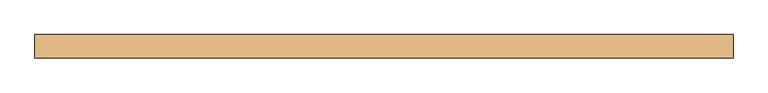
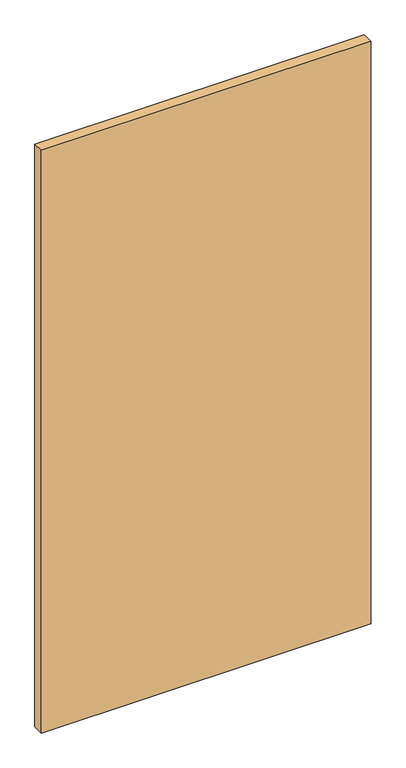
"""IFC4 building model written with IfcOpenShell, lengths in millimetres: door geometry."""

from ifc_helpers import new_model, si_unit, frame, origin, place, context, project, spatial, polyline, outline, extrude, source, transform, mapped, element, save


def door_bbb2b591(model_context):
    return source(origin(), model_context, "Body", "SweptSolid", [
        extrude(outline(polyline([(600.0, -20.0), (-600.0, -20.0), (-600.0, 20.0), (600.0, 20.0), (600.0, -20.0)])), frame((0.0, 0.0, 10.0), z_axis=(0.0, 0.0, 1.0), x_axis=(1.0, 0.0, 0.0)), (0.0, 0.0, 1.0), 2240.0),
    ])


if __name__ == "__main__":
    model = new_model("IFC4")
    model_context = context("Model", 3, world=origin())
    ifc_project = project(units=[si_unit("LENGTHUNIT", "METRE", prefix="MILLI")], contexts=[model_context])
    site = spatial("IfcSite", under=ifc_project)
    building = spatial("IfcBuilding", under=site)
    placement = place(None, origin())
    door_shape = door_bbb2b591(model_context)
    element("IfcDoor", 1, at=placement, inside=building, context=model_context, shape_type="MappedRepresentation", body=[
        mapped(door_shape, transform((0.0, 0.0, 0.0), x_axis=(1.0, 0.0, 0.0), y_axis=(0.0, 1.0, 0.0), z_axis=(0.0, 0.0, 1.0))),
    ])
    save(model, "model.ifc")
